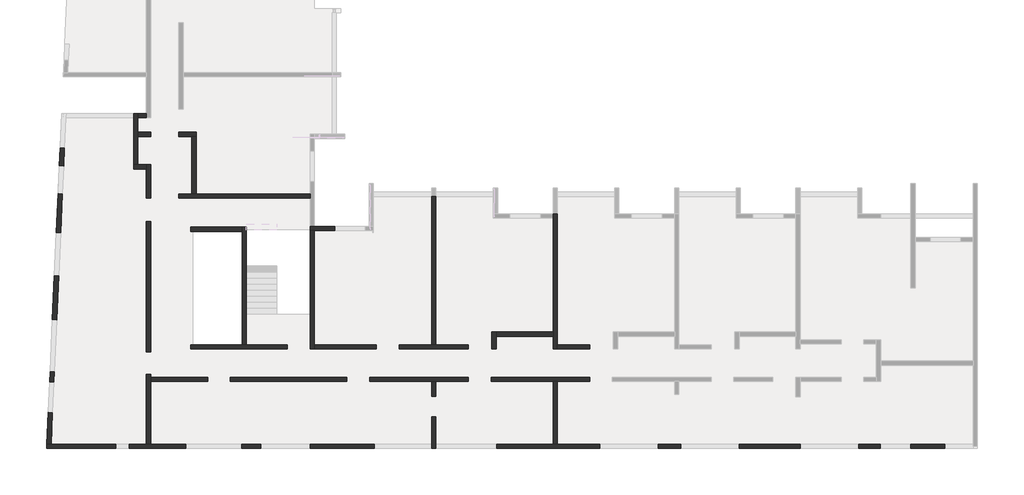
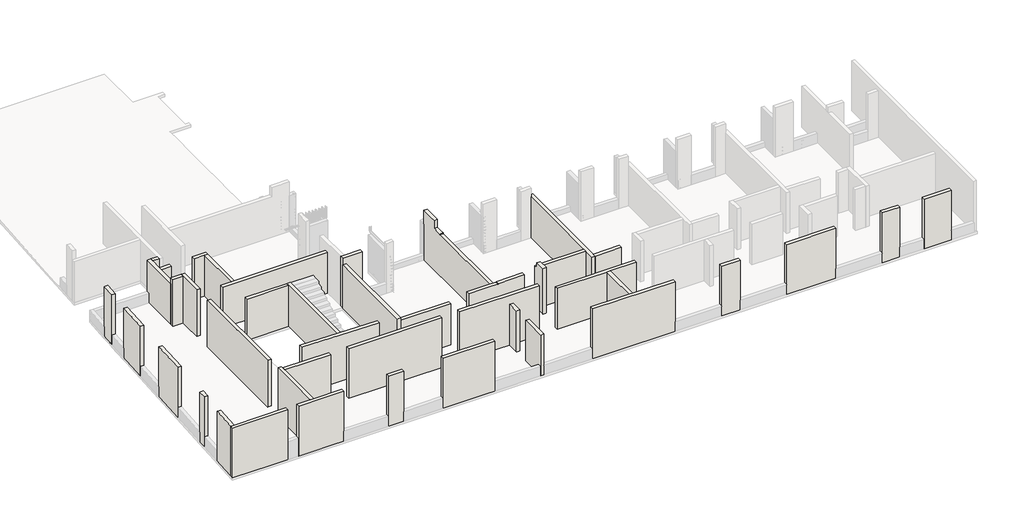
# One storey, part 1 of 7: 43 walls.
"""IFC4 building model written with IfcOpenShell, lengths in millimetres."""

import ifcopenshell
import ifcopenshell.guid

model = None  # the IFC model being written
_history = None  # IfcOwnerHistory: only IFC2X3 demands one
_inside = {}  # id of a spatial element -> (the spatial element, [elements in it])
_under = {}  # id of a project, library or spatial element -> (it, [spatial elements below it])
_declared = {}  # id of a project -> (the project, [libraries it declares])
_typed = {}  # id of a type object -> (the type object, [elements of that type])
_made_of = {}  # id of a material, layer set ... -> (it, [elements and type objects made of it])


def new_model(schema):
    """Start an empty IFC model of exactly this schema.

    Asked for "IFC4X3", IfcOpenShell would pick the latest addendum, in which some entities
    have other attributes; the version numbers below select the first issue.
    IFC2X3 requires an IfcOwnerHistory on every rooted entity: one is made here for all.
    """
    global model, _history
    if schema == "IFC4X3":
        model = ifcopenshell.file(schema_version=(4, 3, 0, 0))
    else:
        model = ifcopenshell.file(schema=schema)
    _inside.clear()
    _under.clear()
    _declared.clear()
    _typed.clear()
    _made_of.clear()
    _history = None
    if model.schema == "IFC2X3":
        org = make("IfcOrganization", Name="unknown")
        user = make(
            "IfcPersonAndOrganization",
            ThePerson=make("IfcPerson", FamilyName="unknown"),
            TheOrganization=org,
        )
        app = make(
            "IfcApplication",
            ApplicationDeveloper=org,
            Version="unknown",
            ApplicationFullName="unknown",
            ApplicationIdentifier="unknown",
        )
        _history = make(
            "IfcOwnerHistory",
            OwningUser=user,
            OwningApplication=app,
            ChangeAction="ADDED",
            CreationDate=0,
        )
    return model


def make(cls, **values):
    """One entity of the class cls with the attributes given. An attribute that is None is left unset."""
    return model.create_entity(
        cls, **{name: value for name, value in values.items() if value is not None}
    )


def rooted(cls, **values):
    """An entity with a GlobalId (a new one), such as an element, a storey or a relation."""
    return make(cls, GlobalId=ifcopenshell.guid.new(), OwnerHistory=_history, **values)


def si_unit(unit_type, name, prefix=None):
    """IfcSIUnit, for example si_unit("LENGTHUNIT", "METRE", prefix="MILLI")."""
    return make("IfcSIUnit", UnitType=unit_type, Prefix=prefix, Name=name)


def assignment(units):
    """IfcUnitAssignment: the units of a project."""
    return None if units is None else make("IfcUnitAssignment", Units=units)


def point(xyz):
    """IfcCartesianPoint."""
    return None if xyz is None else make("IfcCartesianPoint", Coordinates=xyz)


def direction(xyz):
    """IfcDirection."""
    return None if xyz is None else make("IfcDirection", DirectionRatios=xyz)


def frame(location, z_axis=None, x_axis=None):
    """IfcAxis2Placement3D, a coordinate frame: its origin and axes. An axis left out is left unset."""
    return make(
        "IfcAxis2Placement3D",
        Location=point(location),
        Axis=direction(z_axis),
        RefDirection=direction(x_axis),
    )


def origin():
    """The frame at (0, 0, 0) with its axes left unset."""
    return frame((0.0, 0.0, 0.0))


def place(relative_to, where):
    """IfcLocalPlacement: puts the frame where relative to a parent placement (None: the world)."""
    return make(
        "IfcLocalPlacement", PlacementRelTo=relative_to, RelativePlacement=where
    )


def context(
    kind, dimensions, precision=None, world=None, true_north=None, identifier=None
):
    """IfcGeometricRepresentationContext, for example the 3D "Model" context."""
    return make(
        "IfcGeometricRepresentationContext",
        ContextIdentifier=identifier,
        ContextType=kind,
        CoordinateSpaceDimension=dimensions,
        Precision=precision,
        WorldCoordinateSystem=world,
        TrueNorth=true_north,
    )


def project(units=None, contexts=None):
    """IfcProject with its units and contexts."""
    return rooted(
        "IfcProject",
        Name="project",
        RepresentationContexts=contexts,
        UnitsInContext=assignment(units),
    )


def spatial(cls, under=None, at=None, **own):
    """A site, building, storey or space (cls), placed at a placement, below another one or the project."""
    s = rooted(cls, ObjectPlacement=at, **own)
    if under is not None:
        _under.setdefault(under.id(), (under, []))[1].append(s)
    return s


def polyline(points):
    """IfcPolyline through the points."""
    return make("IfcPolyline", Points=[point(p) for p in points])


def outline(outer, holes=None, kind="AREA"):
    """IfcArbitraryClosedProfileDef: a profile drawn as a closed curve; with holes, ...WithVoids."""
    if holes is None:
        return make("IfcArbitraryClosedProfileDef", ProfileType=kind, OuterCurve=outer)
    return make(
        "IfcArbitraryProfileDefWithVoids",
        ProfileType=kind,
        OuterCurve=outer,
        InnerCurves=holes,
    )


def extrude(swept, where, along, depth):
    """IfcExtrudedAreaSolid: the profile swept, set in the frame where, extruded along a direction by depth."""
    return make(
        "IfcExtrudedAreaSolid",
        SweptArea=swept,
        Position=where,
        ExtrudedDirection=direction(along),
        Depth=depth,
    )


def faces_of(points, faces, orient=None, outer=None):
    """IfcFace entities. A face is a list of loops; a loop is a list of indices into points, from 0.

    orient and outer hold one flag for each loop. By default every Orientation is true, the
    first loop of a face is its IfcFaceOuterBound and the others are IfcFaceBound.
    """
    made = []
    for i, loops in enumerate(faces):
        bounds = []
        for j, loop in enumerate(loops):
            is_outer = j == 0 if outer is None else outer[i][j]
            bounds.append(
                make(
                    "IfcFaceOuterBound" if is_outer else "IfcFaceBound",
                    Bound=make("IfcPolyLoop", Polygon=[points[k] for k in loop]),
                    Orientation=True if orient is None else orient[i][j],
                )
            )
        made.append(make("IfcFace", Bounds=bounds))
    return made


def faceted_brep(points, faces, orient=None, outer=None, voids=None):
    """IfcFacetedBrep: a solid bounded by flat faces; with voids (closed shells), ...WithVoids."""
    shared = [point(p) for p in points]
    hull = make("IfcClosedShell", CfsFaces=faces_of(shared, faces, orient, outer))
    if voids is None:
        return make("IfcFacetedBrep", Outer=hull)
    return make(
        "IfcFacetedBrepWithVoids",
        Outer=hull,
        Voids=[
            make(cls, CfsFaces=faces_of(shared, fs, o, b)) for cls, fs, o, b in voids
        ],
    )


def shape(context_of_items, identifier, shape_type, items):
    """IfcShapeRepresentation: the items that make up one representation, for example the "Body"."""
    return make(
        "IfcShapeRepresentation",
        ContextOfItems=context_of_items,
        RepresentationIdentifier=identifier,
        RepresentationType=shape_type,
        Items=items,
    )


def made_of(thing, what):
    """Note that an element or type object is made of a material, layer set ...; save() writes the relation."""
    if what is not None:
        _made_of.setdefault(what.id(), (what, []))[1].append(thing)
    return thing


def element(
    cls,
    number,
    at=None,
    inside=None,
    cuts=None,
    type_object=None,
    material=None,
    context=None,
    identifier="Body",
    shape_type=None,
    held_by="IfcProductDefinitionShape",
    body=None,
    shapes=None,
    **own,
):
    """One element of the class cls, such as IfcWall. Its Tag is "e" and its number.

    at: its placement. inside: the storey or other place that contains it. cuts: it is an
    opening in that element (IfcRelVoidsElement). A single representation is given by context,
    identifier, shape_type and body (its items); several are given by shapes. held_by: the class
    of the entity that holds the representations. save() writes the other relations.
    """
    e = rooted(cls, Tag="e%d" % number, ObjectPlacement=at, **own)
    if body is not None:
        shapes = [shape(context, identifier, shape_type, body)]
    if shapes is not None:
        e.Representation = make(held_by, Representations=shapes)
    if inside is not None:
        _inside.setdefault(inside.id(), (inside, []))[1].append(e)
    if cuts is not None:
        rooted(
            "IfcRelVoidsElement", RelatingBuildingElement=cuts, RelatedOpeningElement=e
        )
    if type_object is not None:
        _typed.setdefault(type_object.id(), (type_object, []))[1].append(e)
    return made_of(e, material)


def aggregate(whole, parts):
    """IfcRelAggregates: a whole, such as a stair, and the parts it consists of."""
    return rooted("IfcRelAggregates", RelatingObject=whole, RelatedObjects=parts)


def save(model, path):
    """Write the relations noted so far, then the file.

    IfcRelAggregates (storeys below a building ...), IfcRelContainedInSpatialStructure (elements
    in a storey), IfcRelDefinesByType, IfcRelAssociatesMaterial and IfcRelDeclares: one each for
    every whole, place, type object, material and project.
    """
    for whole, parts in _under.values():
        aggregate(whole, parts)
    for where, things in _inside.values():
        rooted(
            "IfcRelContainedInSpatialStructure",
            RelatedElements=things,
            RelatingStructure=where,
        )
    for kind, things in _typed.values():
        rooted("IfcRelDefinesByType", RelatedObjects=things, RelatingType=kind)
    for what, things in _made_of.values():
        rooted("IfcRelAssociatesMaterial", RelatedObjects=things, RelatingMaterial=what)
    for by, libraries in _declared.values():
        rooted("IfcRelDeclares", RelatingContext=by, RelatedDefinitions=libraries)
    model.write(path)


model = new_model("IFC4")

# Units and contexts
model_context = context("Model", 3, world=origin())
ifc_project = project(units=[si_unit("LENGTHUNIT", "METRE", prefix="MILLI")], contexts=[model_context])

# Site, building, storey
site = spatial("IfcSite", under=ifc_project)
building = spatial("IfcBuilding", under=site)
storey = spatial("IfcBuildingStorey", under=building, Elevation=19880.0)

# Walls
placement = place(None, origin())
element("IfcWall", 1, ObjectType="MHA20", at=placement, inside=storey, context=model_context, shape_type="SweptSolid", body=[
    extrude(outline(polyline([(-17685.6912908, -13279.0672499), (-17685.6912908, -16219.0672499), (-17885.6912908, -16219.0672499), (-17885.6912908, -13279.0672499), (-17685.6912908, -13279.0672499)])), frame((0.0, 0.0, 19880.0), z_axis=(0.0, 0.0, 1.0), x_axis=(1.0, 0.0, 0.0)), (0.0, 0.0, 1.0), 2530.0),
])
element("IfcWall", 2, ObjectType="MHA20", at=placement, inside=storey, context=model_context, shape_type="Brep", body=[
    faceted_brep([(-23375.6912908, -16419.0672499, 19880.0), (-23375.6912908, -16219.0672499, 19880.0), (-23375.6912908, -14929.0672499, 19880.0), (-23375.6912908, -14929.0672499, 22410.0), (-23375.6912908, -16419.0672499, 22410.0), (-23375.6912908, -16419.0672499, 20480.0), (-23575.6912908, -16419.0672499, 19880.0), (-23575.6912908, -16419.0672499, 20480.0), (-23575.6912908, -16419.0672499, 22410.0), (-23575.6912908, -14929.0672499, 22410.0), (-23575.6912908, -14929.0672499, 19880.0), (-23575.6912908, -16219.0672499, 19880.0)], [[[0, 1, 2, 3, 4, 5]], [[6, 7, 8, 9, 10, 11]], [[2, 1, 0, 6, 11, 10]], [[3, 2, 10, 9]], [[4, 3, 9, 8]], [[0, 5, 4, 8, 7, 6]]]),
])
element("IfcWall", 3, ObjectType="MHA20", at=placement, inside=storey, context=model_context, shape_type="Brep", body=[
    faceted_brep([(-17885.6912908, -5419.0672499, 19880.0), (-17885.6912908, -5619.0672499, 19880.0), (-17885.6912908, -10959.0672499, 19880.0), (-17885.6912908, -11159.0672499, 19880.0), (-17885.6912908, -11759.0672499, 19880.0), (-17885.6912908, -11759.0672499, 22410.0), (-17885.6912908, -11159.0672499, 22410.0), (-17885.6912908, -10959.0672499, 22410.0), (-17885.6912908, -5619.0672499, 22410.0), (-17885.6912908, -5419.0672499, 22410.0), (-17885.6912908, -5419.0672499, 22110.0), (-17685.6912908, -5419.0672499, 19880.0), (-17685.6912908, -5419.0672499, 22110.0), (-17685.6912908, -5419.0672499, 22410.0), (-17685.6912908, -11559.0672499, 22410.0), (-17685.6912908, -11759.0672499, 22410.0), (-17685.6912908, -11759.0672499, 19880.0), (-17685.6912908, -11559.0672499, 19880.0)], [[[0, 1, 2, 3, 4, 5, 6, 7, 8, 9, 10]], [[11, 12, 13, 14, 15, 16, 17]], [[4, 3, 2, 1, 0, 11, 17, 16]], [[9, 8, 7, 6, 5, 15, 14, 13]], [[5, 4, 16, 15]], [[0, 10, 9, 13, 12, 11]]]),
])
element("IfcWall", 4, ObjectType="MHA20", at=placement, inside=storey, context=model_context, shape_type="Brep", body=[
    faceted_brep([(-23575.6912908, -4599.0672499, 19880.0), (-23575.6912908, -11559.0672499, 19880.0), (-23575.6912908, -11559.0672499, 22410.0), (-23575.6912908, -6204.0672499, 22410.0), (-23575.6912908, -6204.0672499, 22460.0), (-23575.6912908, -6004.0672499, 22460.0), (-23575.6912908, -5619.0672499, 22460.0), (-23575.6912908, -5619.0672499, 22945.0), (-23575.6912908, -4599.0672499, 22954.4444444), (-23575.6912908, -4599.0672499, 22110.0), (-23375.6912908, -4599.0672499, 19880.0), (-23375.6912908, -4599.0672499, 22110.0), (-23375.6912908, -4599.0672499, 22954.4444444), (-23375.6912908, -5619.0672499, 22945.0), (-23375.6912908, -5619.0672499, 22795.0), (-23375.6912908, -5619.0672499, 22460.0), (-23375.6912908, -6004.0672499, 22460.0), (-23375.6912908, -6204.0672499, 22460.0), (-23375.6912908, -6204.0672499, 22410.0), (-23375.6912908, -11559.0672499, 22410.0), (-23375.6912908, -11559.0672499, 19880.0)], [[[0, 1, 2, 3, 4, 5, 6, 7, 8, 9]], [[10, 11, 12, 13, 14, 15, 16, 17, 18, 19, 20]], [[2, 1, 20, 19]], [[1, 0, 10, 20]], [[3, 2, 19, 18]], [[0, 9, 8, 12, 11, 10]], [[7, 6, 15, 14, 13]], [[8, 7, 13, 12]], [[4, 3, 18, 17]], [[6, 5, 4, 17, 16, 15]]]),
])
element("IfcWall", 5, ObjectType="MHA20", at=placement, inside=storey, context=model_context, shape_type="Brep", body=[
    faceted_brep([(-36735.6912908, -16219.0672499, 19880.0), (-36735.6912908, -13279.0672499, 19880.0), (-36735.6912908, -13079.0672499, 19880.0), (-36735.6912908, -12949.0672499, 19880.0), (-36735.6912908, -12949.0672499, 22960.0), (-36735.6912908, -13079.0672499, 22960.0), (-36735.6912908, -13279.0672499, 22960.0), (-36735.6912908, -16219.0672499, 22960.0), (-36935.6912908, -16219.0672499, 19880.0), (-36935.6912908, -16219.0672499, 22960.0), (-36935.6912908, -12949.0672499, 22960.0), (-36935.6912908, -12949.0672499, 19880.0)], [[[0, 1, 2, 3, 4, 5, 6, 7]], [[8, 9, 10, 11]], [[3, 2, 1, 0, 8, 11]], [[4, 3, 11, 10]], [[7, 6, 5, 4, 10, 9]], [[0, 7, 9, 8]]]),
])
element("IfcWall", 6, ObjectType="MHA20", at=placement, inside=storey, context=model_context, shape_type="SweptSolid", body=[
    extrude(outline(polyline([(-32995.6912908, -13079.0672499), (-27540.6912908, -13079.0672499), (-27540.6912908, -13279.0672499), (-32995.6912908, -13279.0672499), (-32995.6912908, -13079.0672499)])), frame((0.0, 0.0, 19880.0), z_axis=(0.0, 0.0, 1.0), x_axis=(1.0, 0.0, 0.0)), (0.0, 0.0, 1.0), 3080.0),
])
element("IfcWall", 7, ObjectType="MHA20", at=placement, inside=storey, context=model_context, shape_type="Brep", body=[
    faceted_brep([(-20550.6912908, -11759.0672499, 19880.0), (-20550.6912908, -11159.0672499, 19880.0), (-20550.6912908, -10959.0672499, 19880.0), (-20550.6912908, -10959.0672499, 22410.0), (-20550.6912908, -11159.0672499, 22410.0), (-20550.6912908, -11159.0672499, 22710.0), (-20550.6912908, -11759.0672499, 22710.0), (-20750.6912908, -11759.0672499, 19880.0), (-20750.6912908, -11759.0672499, 22710.0), (-20750.6912908, -11159.0672499, 22710.0), (-20750.6912908, -11159.0672499, 22410.0), (-20750.6912908, -10959.0672499, 22410.0), (-20750.6912908, -10959.0672499, 19880.0)], [[[0, 1, 2, 3, 4, 5, 6]], [[7, 8, 9, 10, 11, 12]], [[2, 1, 0, 7, 12]], [[6, 5, 9, 8]], [[0, 6, 8, 7]], [[10, 4, 3, 11]], [[3, 2, 12, 11]], [[5, 4, 10, 9]]]),
])
element("IfcWall", 8, ObjectType="MHA20", at=placement, inside=storey, context=model_context, shape_type="SweptSolid", body=[
    extrude(outline(polyline([(-17885.6912908, -11159.0672499), (-20550.6912908, -11159.0672499), (-20550.6912908, -10959.0672499), (-17885.6912908, -10959.0672499), (-17885.6912908, -11159.0672499)])), frame((0.0, 0.0, 19880.0), z_axis=(0.0, 0.0, 1.0), x_axis=(1.0, 0.0, 0.0)), (0.0, 0.0, 1.0), 2530.0),
])
element("IfcWall", 9, ObjectType="MHA20", at=placement, inside=storey, context=model_context, shape_type="SweptSolid", body=[
    extrude(outline(polyline([(-17685.6912908, -11559.0672499), (-16160.6912908, -11559.0672499), (-16160.6912908, -11759.0672499), (-17685.6912908, -11759.0672499), (-17685.6912908, -11559.0672499)])), frame((0.0, 0.0, 19880.0), z_axis=(0.0, 0.0, 1.0), x_axis=(1.0, 0.0, 0.0)), (0.0, 0.0, 1.0), 2530.0),
])
element("IfcWall", 10, ObjectType="MHA20", at=placement, inside=storey, context=model_context, shape_type="Brep", body=[
    faceted_brep([(-21850.6912908, -11559.0672499, 19880.0), (-23375.6912908, -11559.0672499, 19880.0), (-23575.6912908, -11559.0672499, 19880.0), (-25095.6912908, -11559.0672499, 19880.0), (-25095.6912908, -11559.0672499, 22673.4), (-23675.6899802, -11559.0672499, 22658.3234429), (-23375.6912908, -11559.0672499, 22655.1382716), (-23375.6912908, -11559.0672499, 22658.2), (-23375.6912908, -11559.0672499, 22684.6884615), (-21850.6912908, -11559.0672499, 22699.0), (-21850.6912908, -11759.0672499, 19880.0), (-21850.6912908, -11759.0672499, 22699.0), (-23375.6912908, -11759.0672499, 22684.6884615), (-23375.6912908, -11759.0672499, 22658.2), (-23375.6912908, -11759.0672499, 22655.1382716), (-23675.6899802, -11759.0672499, 22658.3234429), (-25095.6912908, -11759.0672499, 22673.4), (-25095.6912908, -11759.0672499, 19880.0)], [[[0, 1, 2, 3, 4, 5, 6, 7, 8, 9]], [[10, 11, 12, 13, 14, 15, 16, 17]], [[3, 2, 1, 0, 10, 17]], [[4, 3, 17, 16]], [[0, 9, 11, 10]], [[6, 5, 4, 16, 15, 14]], [[9, 8, 12, 11]], [[8, 7, 6, 14, 13, 12]]]),
])
element("IfcWall", 11, ObjectType="MHA20", at=placement, inside=storey, context=model_context, shape_type="Brep", body=[
    faceted_brep([(-29065.6912908, -11759.0672499, 19880.0), (-29065.6912908, -11559.0672499, 19880.0), (-29065.6912908, -6204.0672499, 19880.0), (-29065.6912908, -6204.0672499, 22563.0925002), (-29065.6912908, -11759.0672499, 22563.0925002), (-29065.6912908, -11759.0672499, 22410.0), (-29265.6912908, -11759.0672499, 19880.0), (-29265.6912908, -11759.0672499, 22565.0925002), (-29265.6912908, -6204.0672499, 22565.0925002), (-29265.6912908, -6204.0672499, 19880.0)], [[[0, 1, 2, 3, 4, 5]], [[6, 7, 8, 9]], [[2, 1, 0, 6, 9]], [[0, 5, 4, 7, 6]], [[3, 2, 9, 8]], [[4, 3, 8, 7]]]),
])
element("IfcWall", 12, ObjectType="MHA20", at=placement, inside=storey, context=model_context, shape_type="Brep", body=[
    faceted_brep([(-35405.6912908, -4689.0672499, 19880.0), (-29265.6912908, -4689.0672499, 19880.0), (-29265.6912908, -4689.0672499, 22410.0), (-35405.6912908, -4689.0672499, 22410.0), (-35405.6912908, -4489.0672499, 19880.0), (-35405.6912908, -4489.0672499, 22410.0), (-34805.6912908, -4489.0672499, 22410.0), (-34605.6912908, -4489.0672499, 22410.0), (-29265.6912908, -4489.0672499, 22410.0), (-29265.6912908, -4489.0672499, 19880.0), (-34605.6912908, -4489.0672499, 19880.0), (-34805.6912908, -4489.0672499, 19880.0)], [[[0, 1, 2, 3]], [[4, 5, 6, 7, 8, 9, 10, 11]], [[1, 0, 4, 11, 10, 9]], [[3, 2, 8, 7, 6, 5]], [[0, 3, 5, 4]], [[2, 1, 9, 8]]]),
])
element("IfcWall", 13, ObjectType="MHA20", at=placement, inside=storey, context=model_context, shape_type="Brep", body=[
    faceted_brep([(-28115.6912908, -6004.0672499, 19880.0), (-29065.6912908, -6004.0672499, 19880.0), (-29265.6912908, -6004.0672499, 19880.0), (-29265.6912908, -6004.0672499, 22960.0), (-29065.6912908, -6004.0672499, 22960.0), (-28115.6912908, -6004.0672499, 22960.0), (-28115.6912908, -6004.0672499, 22260.0), (-28115.6912908, -6004.0672499, 20480.0), (-28115.6912908, -6204.0672499, 19880.0), (-28115.6912908, -6204.0672499, 20480.0), (-28115.6912908, -6204.0672499, 22260.0), (-28115.6912908, -6204.0672499, 22960.0), (-29265.6912908, -6204.0672499, 22960.0), (-29265.6912908, -6204.0672499, 22565.0925002), (-29265.6912908, -6204.0672499, 19880.0), (-29065.6912908, -6204.0672499, 19880.0)], [[[0, 1, 2, 3, 4, 5, 6, 7]], [[8, 9, 10, 11, 12, 13, 14, 15]], [[2, 1, 0, 8, 15, 14]], [[5, 4, 3, 12, 11]], [[0, 7, 6, 5, 11, 10, 9, 8]], [[2, 14, 13, 12, 3]]]),
])
element("IfcWall", 14, ObjectType="MHA20", at=placement, inside=storey, context=model_context, shape_type="SweptSolid", body=[
    extrude(outline(polyline([(-26155.6912908, -11759.0672499), (-29065.6912908, -11759.0672499), (-29065.6912908, -11559.0672499), (-26155.6912908, -11559.0672499), (-26155.6912908, -11759.0672499)])), frame((0.0, 0.0, 19880.0), z_axis=(0.0, 0.0, 1.0), x_axis=(1.0, 0.0, 0.0)), (0.0, 0.0, 1.0), 2530.0),
])
element("IfcWall", 15, ObjectType="MHA20", at=placement, inside=storey, context=model_context, shape_type="Brep", body=[
    faceted_brep([(-32245.6912908, -11559.0672499, 19880.0), (-32245.6912908, -6044.0672499, 19880.0), (-32245.6912908, -6044.0672499, 22410.0), (-32245.6912908, -11559.0672499, 22410.0), (-32445.6912908, -11559.0672499, 19880.0), (-32445.6912908, -11559.0672499, 22410.0), (-32445.6912908, -6244.0672499, 22410.0), (-32445.6912908, -6044.0672499, 22410.0), (-32445.6912908, -6044.0672499, 19880.0), (-32445.6912908, -6244.0672499, 19880.0)], [[[0, 1, 2, 3]], [[4, 5, 6, 7, 8, 9]], [[1, 0, 4, 9, 8]], [[3, 2, 7, 6, 5]], [[0, 3, 5, 4]], [[2, 1, 8, 7]]]),
])
element("IfcWall", 16, ObjectType="MHA20", at=placement, inside=storey, context=model_context, shape_type="Brep", body=[
    faceted_brep([(-34865.6912908, -11759.0672499, 19880.0), (-30340.6912908, -11759.0672499, 19880.0), (-30340.6912908, -11759.0672499, 22725.85), (-34865.6912908, -11759.0672499, 22771.1), (-34865.6912908, -11559.0672499, 19880.0), (-34865.6912908, -11559.0672499, 22771.1), (-30340.6912908, -11559.0672499, 22725.85), (-30340.6912908, -11559.0672499, 19880.0), (-32245.6912908, -11559.0672499, 19880.0), (-32445.6912908, -11559.0672499, 19880.0)], [[[0, 1, 2, 3]], [[4, 5, 6, 7, 8, 9]], [[1, 0, 4, 9, 8, 7]], [[2, 1, 7, 6]], [[0, 3, 5, 4]], [[3, 2, 6, 5]]]),
])
element("IfcWall", 17, ObjectType="MHA20", at=placement, inside=storey, context=model_context, shape_type="SweptSolid", body=[
    extrude(outline(polyline([(-32445.6912908, -6244.0672499), (-34865.6912908, -6244.0672499), (-34865.6912908, -6044.0672499), (-32445.6912908, -6044.0672499), (-32445.6912908, -6244.0672499)])), frame((0.0, 0.0, 19880.0), z_axis=(0.0, 0.0, 1.0), x_axis=(1.0, 0.0, 0.0)), (0.0, 0.0, 1.0), 2530.0),
])
element("IfcWall", 18, ObjectType="MHA20", at=placement, inside=storey, context=model_context, shape_type="SweptSolid", body=[
    extrude(outline(polyline([(-36735.6912908, -5774.0672499), (-36735.6912908, -11889.0672499), (-36935.6912908, -11889.0672499), (-36935.6912908, -5774.0672499), (-36735.6912908, -5774.0672499)])), frame((0.0, 0.0, 19880.0), z_axis=(0.0, 0.0, 1.0), x_axis=(1.0, 0.0, 0.0)), (0.0, 0.0, 1.0), 2890.0),
])
element("IfcWall", 19, ObjectType="MHA20", at=placement, inside=storey, context=model_context, shape_type="Brep", body=[
    faceted_brep([(-41609.0481243, -16419.0672499, 19880.0), (-38375.6912908, -16419.0672499, 19880.0), (-38375.6912908, -16419.0672499, 22960.0), (-41609.0481243, -16419.0672499, 22960.0), (-41599.9751419, -16219.0672499, 19880.0), (-41599.9751419, -16219.0672499, 22960.0), (-41399.7694501, -16219.0672499, 22960.0), (-38375.6912908, -16219.0672499, 22960.0), (-38375.6912908, -16219.0672499, 19880.0), (-41399.7694501, -16219.0672499, 19880.0)], [[[0, 1, 2, 3]], [[4, 5, 6, 7, 8, 9]], [[1, 0, 4, 9, 8]], [[2, 1, 8, 7]], [[3, 2, 7, 6, 5]], [[0, 3, 5, 4]]]),
])
element("IfcWall", 20, ObjectType="MHA20", at=placement, inside=storey, context=model_context, shape_type="Brep", body=[
    faceted_brep([(-35405.6912908, -1794.0672499, 19880.0), (-34805.6912908, -1794.0672499, 19880.0), (-34605.6912908, -1794.0672499, 19880.0), (-34605.6912908, -1794.0672499, 22410.0), (-34805.6912908, -1794.0672499, 22410.0), (-35405.6912908, -1794.0672499, 22410.0), (-35405.6912908, -1594.0672499, 19880.0), (-35405.6912908, -1594.0672499, 22410.0), (-34605.6912908, -1594.0672499, 22410.0), (-34605.6912908, -1594.0672499, 19880.0)], [[[0, 1, 2, 3, 4, 5]], [[6, 7, 8, 9]], [[2, 1, 0, 6, 9]], [[5, 4, 3, 8, 7]], [[0, 5, 7, 6]], [[3, 2, 9, 8]]]),
])
element("IfcWall", 21, ObjectType="MHA20", at=placement, inside=storey, context=model_context, shape_type="SweptSolid", body=[
    extrude(outline(polyline([(-34605.6912908, -1794.0672499), (-34605.6912908, -4489.0672499), (-34805.6912908, -4489.0672499), (-34805.6912908, -1794.0672499), (-34605.6912908, -1794.0672499)])), frame((0.0, 0.0, 19880.0), z_axis=(0.0, 0.0, 1.0), x_axis=(1.0, 0.0, 0.0)), (0.0, 0.0, 1.0), 2530.0),
])
element("IfcWall", 22, ObjectType="MHA20", at=placement, inside=storey, context=model_context, shape_type="Brep", body=[
    faceted_brep([(-37335.6912908, -3119.0672499, 19880.0), (-37335.6912908, -1794.0672499, 19880.0), (-37335.6912908, -1594.0672499, 19880.0), (-37335.6912908, -914.0672499, 19880.0), (-37335.6912908, -714.0672499, 19880.0), (-37335.6912908, -714.0672499, 22410.0), (-37335.6912908, -914.0672499, 22410.0), (-37335.6912908, -1594.0672499, 22410.0), (-37335.6912908, -1794.0672499, 22410.0), (-37335.6912908, -3119.0672499, 22410.0), (-37535.6912908, -3119.0672499, 19880.0), (-37535.6912908, -3119.0672499, 22410.0), (-37535.6912908, -714.0672499, 22410.0), (-37535.6912908, -714.0672499, 20480.0), (-37535.6912908, -714.0672499, 19880.0), (-37535.6912908, -914.0672499, 19880.0)], [[[0, 1, 2, 3, 4, 5, 6, 7, 8, 9]], [[10, 11, 12, 13, 14, 15]], [[4, 3, 2, 1, 0, 10, 15, 14]], [[9, 8, 7, 6, 5, 12, 11]], [[0, 9, 11, 10]], [[5, 4, 14, 13, 12]]]),
])
element("IfcWall", 23, ObjectType="MHA20", at=placement, inside=storey, context=model_context, shape_type="SweptSolid", body=[
    extrude(outline(polyline([(-37335.6912908, -1594.0672499), (-36735.6912908, -1594.0672499), (-36735.6912908, -1794.0672499), (-37335.6912908, -1794.0672499), (-37335.6912908, -1594.0672499)])), frame((0.0, 0.0, 19880.0), z_axis=(0.0, 0.0, 1.0), x_axis=(1.0, 0.0, 0.0)), (0.0, 0.0, 1.0), 2530.0),
])
element("IfcWall", 24, ObjectType="MHA20", at=placement, inside=storey, context=model_context, shape_type="Brep", body=[
    faceted_brep([(-37535.6912908, -3319.0672499, 19880.0), (-36935.6912908, -3319.0672499, 19880.0), (-36935.6912908, -3319.0672499, 22770.0), (-37535.6912908, -3319.0672499, 22770.0), (-37535.6912908, -3119.0672499, 19880.0), (-37535.6912908, -3119.0672499, 22410.0), (-37535.6912908, -3119.0672499, 22770.0), (-36935.6912908, -3119.0672499, 22770.0), (-36935.6912908, -3119.0672499, 19880.0), (-37335.6912908, -3119.0672499, 19880.0)], [[[0, 1, 2, 3]], [[4, 5, 6, 7, 8, 9]], [[1, 0, 4, 9, 8]], [[3, 2, 7, 6]], [[0, 3, 6, 5, 4]], [[2, 1, 8, 7]]]),
])
element("IfcWall", 25, ObjectType="MHA20", at=placement, inside=storey, context=model_context, shape_type="SweptSolid", body=[
    extrude(outline(polyline([(-23375.6912908, -13279.0672499), (-23375.6912908, -13979.0672499), (-23575.6912908, -13979.0672499), (-23575.6912908, -13279.0672499), (-23375.6912908, -13279.0672499)])), frame((0.0, 0.0, 19880.0), z_axis=(0.0, 0.0, 1.0), x_axis=(1.0, 0.0, 0.0)), (0.0, 0.0, 1.0), 2530.0),
])
element("IfcWall", 26, ObjectType="MHA20", at=placement, inside=storey, context=model_context, shape_type="Brep", body=[
    faceted_brep([(464.3087092, -16219.0672499, 19880.0), (-1125.6912908, -16219.0672499, 19880.0), (-1125.6912908, -16219.0672499, 20480.0), (-1125.6912908, -16219.0672499, 22410.0), (-1125.6912908, -16219.0672499, 22960.0), (464.3087092, -16219.0672499, 22960.0), (464.3087092, -16219.0672499, 22410.0), (464.3087092, -16219.0672499, 20480.0), (464.3087092, -16419.0672499, 19880.0), (464.3087092, -16419.0672499, 20480.0), (464.3087092, -16419.0672499, 22410.0), (464.3087092, -16419.0672499, 22960.0), (-1125.6912908, -16419.0672499, 22960.0), (-1125.6912908, -16419.0672499, 22410.0), (-1125.6912908, -16419.0672499, 20480.0), (-1125.6912908, -16419.0672499, 19880.0)], [[[0, 1, 2, 3, 4, 5, 6, 7]], [[8, 9, 10, 11, 12, 13, 14, 15]], [[1, 0, 8, 15]], [[4, 3, 2, 1, 15, 14, 13, 12]], [[5, 4, 12, 11]], [[0, 7, 6, 5, 11, 10, 9, 8]]]),
])
element("IfcWall", 27, ObjectType="MHA20", at=placement, inside=storey, context=model_context, shape_type="Brep", body=[
    faceted_brep([(-2555.6912908, -16219.0672499, 19880.0), (-3570.6912908, -16219.0672499, 19880.0), (-3570.6912908, -16219.0672499, 20480.0), (-3570.6912908, -16219.0672499, 22410.0), (-3570.6912908, -16219.0672499, 22960.0), (-2555.6912908, -16219.0672499, 22960.0), (-2555.6912908, -16219.0672499, 22410.0), (-2555.6912908, -16219.0672499, 20480.0), (-2555.6912908, -16419.0672499, 19880.0), (-2555.6912908, -16419.0672499, 20480.0), (-2555.6912908, -16419.0672499, 22410.0), (-2555.6912908, -16419.0672499, 22960.0), (-3570.6912908, -16419.0672499, 22960.0), (-3570.6912908, -16419.0672499, 22410.0), (-3570.6912908, -16419.0672499, 20480.0), (-3570.6912908, -16419.0672499, 19880.0)], [[[0, 1, 2, 3, 4, 5, 6, 7]], [[8, 9, 10, 11, 12, 13, 14, 15]], [[1, 0, 8, 15]], [[4, 3, 2, 1, 15, 14, 13, 12]], [[5, 4, 12, 11]], [[0, 7, 6, 5, 11, 10, 9, 8]]]),
])
element("IfcWall", 28, ObjectType="MHA20", at=placement, inside=storey, context=model_context, shape_type="Brep", body=[
    faceted_brep([(-6305.6912908, -16219.0672499, 19880.0), (-9155.6912908, -16219.0672499, 19880.0), (-9155.6912908, -16219.0672499, 20480.0), (-9155.6912908, -16219.0672499, 22410.0), (-9155.6912908, -16219.0672499, 22960.0), (-6305.6912908, -16219.0672499, 22960.0), (-6305.6912908, -16219.0672499, 22410.0), (-6305.6912908, -16219.0672499, 20480.0), (-6305.6912908, -16419.0672499, 19880.0), (-6305.6912908, -16419.0672499, 20480.0), (-6305.6912908, -16419.0672499, 22410.0), (-6305.6912908, -16419.0672499, 22960.0), (-9155.6912908, -16419.0672499, 22960.0), (-9155.6912908, -16419.0672499, 22410.0), (-9155.6912908, -16419.0672499, 20480.0), (-9155.6912908, -16419.0672499, 19880.0)], [[[0, 1, 2, 3, 4, 5, 6, 7]], [[8, 9, 10, 11, 12, 13, 14, 15]], [[1, 0, 8, 15]], [[4, 3, 2, 1, 15, 14, 13, 12]], [[5, 4, 12, 11]], [[0, 7, 6, 5, 11, 10, 9, 8]]]),
])
element("IfcWall", 29, ObjectType="MHA20", at=placement, inside=storey, context=model_context, shape_type="Brep", body=[
    faceted_brep([(-20515.6912908, -16419.0672499, 19880.0), (-15705.6912908, -16419.0672499, 19880.0), (-15705.6912908, -16419.0672499, 20480.0), (-15705.6912908, -16419.0672499, 22410.0), (-15705.6912908, -16419.0672499, 22960.0), (-20515.6912908, -16419.0672499, 22960.0), (-20515.6912908, -16419.0672499, 22410.0), (-20515.6912908, -16419.0672499, 20480.0), (-20515.6912908, -16219.0672499, 19880.0), (-20515.6912908, -16219.0672499, 20480.0), (-20515.6912908, -16219.0672499, 22410.0), (-20515.6912908, -16219.0672499, 22960.0), (-15705.6912908, -16219.0672499, 22960.0), (-15705.6912908, -16219.0672499, 22410.0), (-15705.6912908, -16219.0672499, 20480.0), (-15705.6912908, -16219.0672499, 19880.0), (-17685.6912908, -16219.0672499, 19880.0), (-17885.6912908, -16219.0672499, 19880.0)], [[[0, 1, 2, 3, 4, 5, 6, 7]], [[8, 9, 10, 11, 12, 13, 14, 15, 16, 17]], [[1, 0, 8, 17, 16, 15]], [[4, 3, 2, 1, 15, 14, 13, 12]], [[5, 4, 12, 11]], [[0, 7, 6, 5, 11, 10, 9, 8]]]),
])
element("IfcWall", 30, ObjectType="MHA20", at=placement, inside=storey, context=model_context, shape_type="Brep", body=[
    faceted_brep([(-37735.6912908, -16419.0672499, 19880.0), (-35095.6912908, -16419.0672499, 19880.0), (-35095.6912908, -16419.0672499, 20480.0), (-35095.6912908, -16419.0672499, 22410.0), (-35095.6912908, -16419.0672499, 22960.0), (-37735.6912908, -16419.0672499, 22960.0), (-37735.6912908, -16219.0672499, 19880.0), (-37735.6912908, -16219.0672499, 22960.0), (-36935.6912908, -16219.0672499, 22960.0), (-36735.6912908, -16219.0672499, 22960.0), (-35095.6912908, -16219.0672499, 22960.0), (-35095.6912908, -16219.0672499, 22410.0), (-35095.6912908, -16219.0672499, 20480.0), (-35095.6912908, -16219.0672499, 19880.0), (-36735.6912908, -16219.0672499, 19880.0), (-36935.6912908, -16219.0672499, 19880.0)], [[[0, 1, 2, 3, 4, 5]], [[6, 7, 8, 9, 10, 11, 12, 13, 14, 15]], [[1, 0, 6, 15, 14, 13]], [[4, 3, 2, 1, 13, 12, 11, 10]], [[5, 4, 10, 9, 8, 7]], [[0, 5, 7, 6]]]),
])
element("IfcWall", 31, ObjectType="MHA20", at=placement, inside=storey, context=model_context, shape_type="Brep", body=[
    faceted_brep([(-41532.7054566, -14736.2100849, 19880.0), (-41599.9751419, -16219.0672499, 19880.0), (-41599.9751419, -16219.0672499, 22960.0), (-41532.7054566, -14736.2100849, 22960.0), (-41532.7054566, -14736.2100849, 22410.0), (-41532.7054566, -14736.2100849, 20480.0), (-41332.9109371, -14745.2737458, 19880.0), (-41332.9109371, -14745.2737458, 20480.0), (-41332.9109371, -14745.2737458, 22410.0), (-41332.9109371, -14745.2737458, 22960.0), (-41399.7694501, -16219.0672499, 22960.0), (-41399.7694501, -16219.0672499, 19880.0)], [[[0, 1, 2, 3, 4, 5]], [[6, 7, 8, 9, 10, 11]], [[1, 0, 6, 11]], [[3, 2, 10, 9]], [[0, 5, 4, 3, 9, 8, 7, 6]], [[2, 1, 11, 10]]]),
])
element("IfcWall", 32, ObjectType="MHA20", at=placement, inside=storey, context=model_context, shape_type="Brep", body=[
    faceted_brep([(-41267.6525789, -13306.7532049, 19880.0), (-41246.1263843, -12832.2412209, 19880.0), (-41246.1263843, -12832.2412209, 20480.0), (-41246.1263843, -12832.2412209, 22410.0), (-41246.1263843, -12832.2412209, 22960.0), (-41267.6525789, -13306.7532049, 22960.0), (-41267.6525789, -13306.7532049, 22410.0), (-41267.6525789, -13306.7532049, 20480.0), (-41467.4470985, -13297.689544, 19880.0), (-41467.4470985, -13297.689544, 20480.0), (-41467.4470985, -13297.689544, 22410.0), (-41467.4470985, -13297.689544, 22960.0), (-41445.9209039, -12823.17756, 22960.0), (-41445.9209039, -12823.17756, 22410.0), (-41445.9209039, -12823.17756, 20480.0), (-41445.9209039, -12823.17756, 19880.0)], [[[0, 1, 2, 3, 4, 5, 6, 7]], [[8, 9, 10, 11, 12, 13, 14, 15]], [[1, 0, 8, 15]], [[4, 3, 2, 1, 15, 14, 13, 12]], [[5, 4, 12, 11]], [[0, 7, 6, 5, 11, 10, 9, 8]]]),
])
element("IfcWall", 33, ObjectType="MHA20", at=placement, inside=storey, context=model_context, shape_type="Brep", body=[
    faceted_brep([(-32455.6912908, -16419.0672499, 19880.0), (-31585.6912908, -16419.0672499, 19880.0), (-31585.6912908, -16419.0672499, 20480.0), (-31585.6912908, -16419.0672499, 22410.0), (-31585.6912908, -16419.0672499, 22960.0), (-32455.6912908, -16419.0672499, 22960.0), (-32455.6912908, -16419.0672499, 22410.0), (-32455.6912908, -16419.0672499, 20480.0), (-32455.6912908, -16219.0672499, 19880.0), (-32455.6912908, -16219.0672499, 20480.0), (-32455.6912908, -16219.0672499, 22410.0), (-32455.6912908, -16219.0672499, 22960.0), (-31585.6912908, -16219.0672499, 22960.0), (-31585.6912908, -16219.0672499, 22410.0), (-31585.6912908, -16219.0672499, 20480.0), (-31585.6912908, -16219.0672499, 19880.0)], [[[0, 1, 2, 3, 4, 5, 6, 7]], [[8, 9, 10, 11, 12, 13, 14, 15]], [[1, 0, 8, 15]], [[4, 3, 2, 1, 15, 14, 13, 12]], [[5, 4, 12, 11]], [[0, 7, 6, 5, 11, 10, 9, 8]]]),
])
element("IfcWall", 34, ObjectType="MHA20", at=placement, inside=storey, context=model_context, shape_type="Brep", body=[
    faceted_brep([(-29265.6912908, -16419.0672499, 19880.0), (-26255.6912908, -16419.0672499, 19880.0), (-26255.6912908, -16419.0672499, 20480.0), (-26255.6912908, -16419.0672499, 22410.0), (-26255.6912908, -16419.0672499, 22960.0), (-29265.6912908, -16419.0672499, 22960.0), (-29265.6912908, -16419.0672499, 22410.0), (-29265.6912908, -16419.0672499, 20480.0), (-29265.6912908, -16219.0672499, 19880.0), (-29265.6912908, -16219.0672499, 20480.0), (-29265.6912908, -16219.0672499, 22410.0), (-29265.6912908, -16219.0672499, 22960.0), (-26255.6912908, -16219.0672499, 22960.0), (-26255.6912908, -16219.0672499, 22410.0), (-26255.6912908, -16219.0672499, 20480.0), (-26255.6912908, -16219.0672499, 19880.0)], [[[0, 1, 2, 3, 4, 5, 6, 7]], [[8, 9, 10, 11, 12, 13, 14, 15]], [[1, 0, 8, 15]], [[4, 3, 2, 1, 15, 14, 13, 12]], [[5, 4, 12, 11]], [[0, 7, 6, 5, 11, 10, 9, 8]]]),
])
element("IfcWall", 35, ObjectType="MHA20", at=placement, inside=storey, context=model_context, shape_type="Brep", body=[
    faceted_brep([(-12965.6912908, -16419.0672499, 19880.0), (-11895.6912908, -16419.0672499, 19880.0), (-11895.6912908, -16419.0672499, 20480.0), (-11895.6912908, -16419.0672499, 22410.0), (-11895.6912908, -16419.0672499, 22960.0), (-12965.6912908, -16419.0672499, 22960.0), (-12965.6912908, -16419.0672499, 22410.0), (-12965.6912908, -16419.0672499, 20480.0), (-12965.6912908, -16219.0672499, 19880.0), (-12965.6912908, -16219.0672499, 20480.0), (-12965.6912908, -16219.0672499, 22410.0), (-12965.6912908, -16219.0672499, 22960.0), (-11895.6912908, -16219.0672499, 22960.0), (-11895.6912908, -16219.0672499, 22410.0), (-11895.6912908, -16219.0672499, 20480.0), (-11895.6912908, -16219.0672499, 19880.0)], [[[0, 1, 2, 3, 4, 5, 6, 7]], [[8, 9, 10, 11, 12, 13, 14, 15]], [[1, 0, 8, 15]], [[4, 3, 2, 1, 15, 14, 13, 12]], [[5, 4, 12, 11]], [[0, 7, 6, 5, 11, 10, 9, 8]]]),
])
element("IfcWall", 36, ObjectType="MHA20", at=placement, inside=storey, context=model_context, shape_type="Brep", body=[
    faceted_brep([(-40970.0334959, -2332.9686312, 19880.0), (-41007.6476884, -3162.1158875, 19880.0), (-41007.6476884, -3162.1158875, 22410.0), (-41007.6476884, -3162.1158875, 22960.0), (-40970.0334959, -2332.9686312, 22960.0), (-40970.0334959, -2332.9686312, 22410.0), (-40970.0334959, -2332.9686312, 20480.0), (-40770.2389763, -2342.0322921, 19880.0), (-40770.2389763, -2342.0322921, 20480.0), (-40770.2389763, -2342.0322921, 22410.0), (-40770.2389763, -2342.0322921, 22960.0), (-40807.8531689, -3171.1795483, 22960.0), (-40807.8531689, -3171.1795483, 22410.0), (-40807.8531689, -3171.1795483, 19880.0)], [[[0, 1, 2, 3, 4, 5, 6]], [[7, 8, 9, 10, 11, 12, 13]], [[1, 0, 7, 13]], [[3, 2, 1, 13, 12, 11]], [[4, 3, 11, 10]], [[0, 6, 5, 4, 10, 9, 8, 7]]]),
])
element("IfcWall", 37, ObjectType="MHA20", at=placement, inside=storey, context=model_context, shape_type="Brep", body=[
    faceted_brep([(-41241.7167301, -8321.8093555, 19880.0), (-41334.8458454, -10374.6980441, 19880.0), (-41334.8458454, -10374.6980441, 20480.0), (-41334.8458454, -10374.6980441, 22410.0), (-41334.8458454, -10374.6980441, 22960.0), (-41241.7167301, -8321.8093555, 22960.0), (-41241.7167301, -8321.8093555, 22410.0), (-41241.7167301, -8321.8093555, 20480.0), (-41041.9222105, -8330.8730163, 19880.0), (-41041.9222105, -8330.8730163, 20480.0), (-41041.9222105, -8330.8730163, 22410.0), (-41041.9222105, -8330.8730163, 22960.0), (-41135.0513258, -10383.7617049, 22960.0), (-41135.0513258, -10383.7617049, 22410.0), (-41135.0513258, -10383.7617049, 20480.0), (-41135.0513258, -10383.7617049, 19880.0)], [[[0, 1, 2, 3, 4, 5, 6, 7]], [[8, 9, 10, 11, 12, 13, 14, 15]], [[1, 0, 8, 15]], [[4, 3, 2, 1, 15, 14, 13, 12]], [[5, 4, 12, 11]], [[0, 7, 6, 5, 11, 10, 9, 8]]]),
])
element("IfcWall", 38, ObjectType="MHA20", at=placement, inside=storey, context=model_context, shape_type="SweptSolid", body=[
    extrude(outline(polyline([(-36735.6912908, -13079.0672499), (-34055.6912908, -13079.0672499), (-34055.6912908, -13279.0672499), (-36735.6912908, -13279.0672499), (-36735.6912908, -13079.0672499)])), frame((0.0, 0.0, 19880.0), z_axis=(0.0, 0.0, 1.0), x_axis=(1.0, 0.0, 0.0)), (0.0, 0.0, 1.0), 3080.0),
])
element("IfcWall", 39, ObjectType="MHA20", at=placement, inside=storey, context=model_context, shape_type="Brep", body=[
    faceted_brep([(-26480.6912908, -13079.0672499, 22960.0), (-21850.6912908, -13079.0672499, 22960.0), (-21850.6912908, -13079.0672499, 19880.0), (-26480.6912908, -13079.0672499, 19880.0), (-26480.6912908, -13279.0672499, 22960.0), (-26480.6912908, -13279.0672499, 19880.0), (-23575.6912908, -13279.0672499, 19880.0), (-23375.6912908, -13279.0672499, 19880.0), (-21850.6912908, -13279.0672499, 19880.0), (-21850.6912908, -13279.0672499, 22960.0)], [[[0, 1, 2, 3]], [[4, 5, 6, 7, 8, 9]], [[1, 0, 4, 9]], [[3, 2, 8, 7, 6, 5]], [[2, 1, 9, 8]], [[0, 3, 5, 4]]]),
])
element("IfcWall", 40, ObjectType="MHA20", at=placement, inside=storey, context=model_context, shape_type="Brep", body=[
    faceted_brep([(-16160.6912908, -13079.0672499, 22410.0), (-16160.6912908, -13079.0672499, 19880.0), (-20790.6912908, -13079.0672499, 19880.0), (-20790.6912908, -13079.0672499, 22410.0), (-16160.6912908, -13279.0672499, 22410.0), (-17685.6912908, -13279.0672499, 22410.0), (-17885.6912908, -13279.0672499, 22410.0), (-20790.6912908, -13279.0672499, 22410.0), (-20790.6912908, -13279.0672499, 19880.0), (-17885.6912908, -13279.0672499, 19880.0), (-17685.6912908, -13279.0672499, 19880.0), (-16160.6912908, -13279.0672499, 19880.0)], [[[0, 1, 2, 3]], [[4, 5, 6, 7, 8, 9, 10, 11]], [[3, 2, 8, 7]], [[2, 1, 11, 10, 9, 8]], [[1, 0, 4, 11]], [[0, 3, 7, 6, 5, 4]]]),
])
element("IfcWall", 41, ObjectType="MHA20", at=placement, inside=storey, context=model_context, shape_type="Brep", body=[
    faceted_brep([(-41067.2412586, -4475.7648537, 19880.0), (-41149.2673893, -6283.9052558, 19880.0), (-41149.2673893, -6283.9052558, 20480.0), (-41149.2673893, -6283.9052558, 22410.0), (-41149.2673893, -6283.9052558, 22960.0), (-41067.2412586, -4475.7648537, 22960.0), (-41067.2412586, -4475.7648537, 22410.0), (-40867.446739, -4484.8285145, 19880.0), (-40867.446739, -4484.8285145, 22410.0), (-40867.446739, -4484.8285145, 22960.0), (-40949.4728698, -6292.9689167, 22960.0), (-40949.4728698, -6292.9689167, 22410.0), (-40949.4728698, -6292.9689167, 20480.0), (-40949.4728698, -6292.9689167, 19880.0)], [[[0, 1, 2, 3, 4, 5, 6]], [[7, 8, 9, 10, 11, 12, 13]], [[1, 0, 7, 13]], [[4, 3, 2, 1, 13, 12, 11, 10]], [[5, 4, 10, 9]], [[0, 6, 5, 9, 8, 7]]]),
])
element("IfcWall", 42, ObjectType="MHA20", at=placement, inside=storey, context=model_context, shape_type="Brep", body=[
    faceted_brep([(-36735.6912908, -4689.0672499, 19880.0), (-36735.6912908, -3119.0672499, 19880.0), (-36735.6912908, -3119.0672499, 22770.0), (-36735.6912908, -4689.0672499, 22770.0), (-36935.6912908, -4689.0672499, 19880.0), (-36935.6912908, -4689.0672499, 22770.0), (-36935.6912908, -3319.0672499, 22770.0), (-36935.6912908, -3119.0672499, 22770.0), (-36935.6912908, -3119.0672499, 19880.0), (-36935.6912908, -3319.0672499, 19880.0)], [[[0, 1, 2, 3]], [[4, 5, 6, 7, 8, 9]], [[1, 0, 4, 9, 8]], [[3, 2, 7, 6, 5]], [[0, 3, 5, 4]], [[2, 1, 8, 7]]]),
])
element("IfcWall", 43, ObjectType="MHA20", at=placement, inside=storey, context=model_context, shape_type="SweptSolid", body=[
    extrude(outline(polyline([(-36935.6912908, -914.0672499), (-37335.6912908, -914.0672499), (-37335.6912908, -714.0672499), (-36935.6912908, -714.0672499), (-36935.6912908, -914.0672499)])), frame((0.0, 0.0, 19880.0), z_axis=(0.0, 0.0, 1.0), x_axis=(1.0, 0.0, 0.0)), (0.0, 0.0, 1.0), 2530.0),
])

save(model, "model.ifc")
